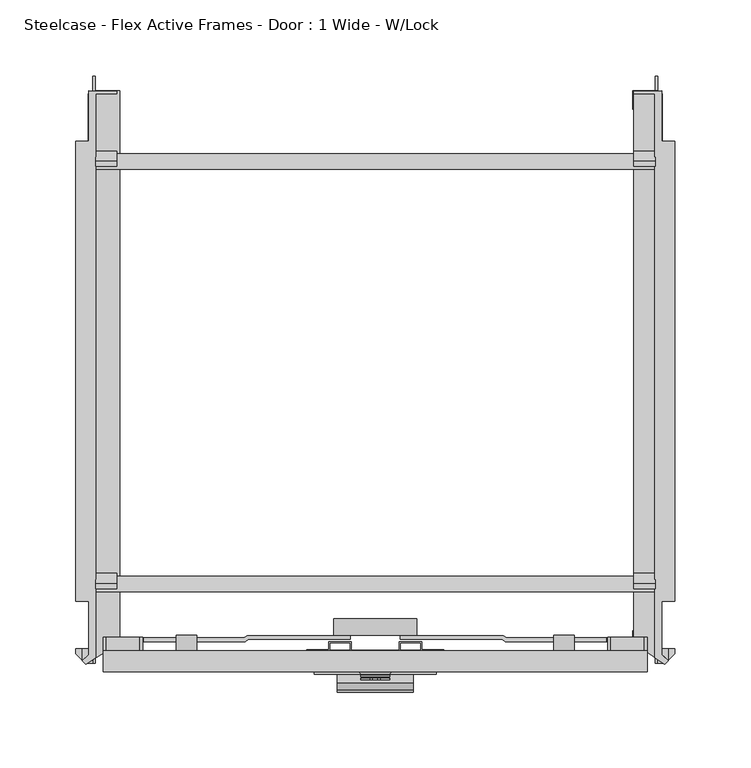
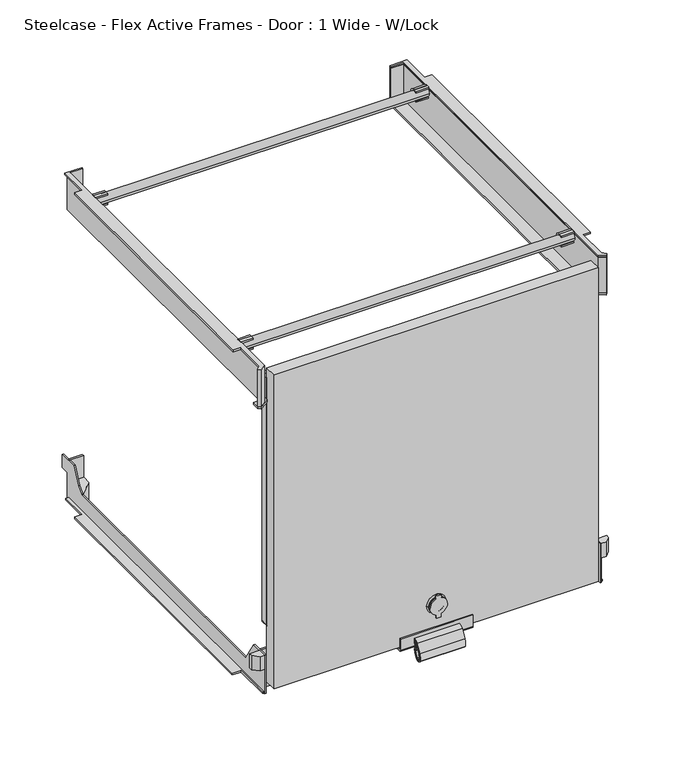
"""IFC4 building model written with IfcOpenShell, lengths in millimetres: furniture geometry, Steelcase - Flex Active Frames - Door : 1 Wide - W/Lock."""

from ifc_helpers import new_model, si_unit, point, frame, frame_2d, origin, place, context, project, spatial, polyline, circle_curve, trimmed, segment, composite_curve, outline, extrude, faceted_brep, source, transform, mapped, element, save
from ifc_brep_helpers import plane_surface, cylinder_surface, revolved_surface, advanced_brep


def steelcase_flex_active_frames_door_1_wide_w_lock_6204243f(model_context):
    return source(origin(), model_context, "Body", "SolidModel", [
        extrude(outline(polyline([(380.9560531, -373.0157005), (380.9560531, -1.9704708), (366.9540977, -1.9704708), (366.9540977, -0.2946526), (382.9443522, -0.0162739), (382.9443522, -368.4618531), (389.7311957, -375.2153725), (387.4080727, -377.5448751), (380.9560531, -373.0157005)])), frame((0.0, 0.0, 345.9048069), z_axis=(0.0, 0.0, 1.0), x_axis=(1.0, 0.0, 0.0)), (0.0, 0.0, 1.0), 41.5000832),
        advanced_brep(
        [(206.5367363, -386.5060322, 53.4049524), (206.5367363, -387.4990083, 53.4049524), (199.2697899, -387.4990083, 44.1242374), (199.2697899, -386.5060322, 44.1242374), (187.4172637, -387.4990083, 53.4049524), (187.4172637, -386.5060322, 53.4049524), (194.6842101, -386.5060322, 44.1242374), (194.6842101, -387.4990083, 44.1242374), (199.9441567, -386.5060322, 62.492556), (199.9441567, -387.4990083, 62.492556), (194.0098433, -387.4990083, 62.492556), (194.0098433, -386.5060322, 62.492556), (188.5666791, -385.7012029, 53.4049524), (205.3873209, -385.7012029, 53.4049524), (187.4987752, -385.7012029, 53.4049524), (206.4552248, -385.7012029, 53.4049524), (187.4987752, -384.715218, 53.4049524), (206.4552248, -384.715218, 53.4049524), (189.3926708, -384.0258963, 53.4049524), (204.5613292, -384.0258963, 53.4049524), (187.9183649, -384.0258963, 53.4049524), (206.0356351, -384.0258963, 53.4049524), (186.4186061, -382.5261375, 53.4049524), (207.5353939, -382.5261375, 53.4049524), (196.977, -382.5261375, 53.4049524), (200.157317, -387.4990083, 62.6110523), (200.157317, -387.4990083, 64.5755991), (198.633317, -387.4990083, 66.0995991), (195.320683, -387.4990083, 66.0995991), (193.796683, -387.4990083, 64.5755991), (193.796683, -387.4990083, 62.6110523), (194.610092, -387.4990083, 43.8269662), (194.610092, -387.4990083, 40.0258754), (199.343908, -387.4990083, 40.0258754), (199.343908, -387.4990083, 43.8269662), (193.796683, -386.5060322, 62.6110523), (193.796683, -386.5060322, 64.5755991), (195.320683, -386.5060322, 66.0995991), (198.633317, -386.5060322, 66.0995991), (200.157317, -386.5060322, 64.5755991), (200.157317, -386.5060322, 62.6110523), (199.343908, -386.5060322, 43.8269662), (199.343908, -386.5060322, 40.0258754), (194.610092, -386.5060322, 40.0258754), (194.610092, -386.5060322, 43.8269662)],
        [
            (0, 1),
            (1, 2, circle_curve(frame((196.977, -387.4990083, 53.4049524), z_axis=(0.0, 1.0, 0.0), x_axis=(1.0, 0.0, 0.0)), 9.5597363)),
            (2, 3),
            (3, 0, circle_curve(frame((196.977, -386.5060322, 53.4049524), z_axis=(0.0, -1.0, 0.0), x_axis=(1.0, 0.0, 0.0)), 9.5597363)),
            (4, 5),
            (5, 6, circle_curve(frame((196.977, -386.5060322, 53.4049524), z_axis=(0.0, -1.0, 0.0), x_axis=(1.0, 0.0, 0.0)), 9.5597363)),
            (6, 7),
            (7, 4, circle_curve(frame((196.977, -387.4990083, 53.4049524), z_axis=(0.0, 1.0, 0.0), x_axis=(1.0, 0.0, 0.0)), 9.5597363)),
            (0, 8, circle_curve(frame((196.977, -386.5060322, 53.4049524), z_axis=(0.0, -1.0, 0.0), x_axis=(1.0, 0.0, 0.0)), 9.5597363)),
            (8, 9),
            (9, 1, circle_curve(frame((196.977, -387.4990083, 53.4049524), z_axis=(0.0, 1.0, 0.0), x_axis=(1.0, 0.0, 0.0)), 9.5597363)),
            (4, 10, circle_curve(frame((196.977, -387.4990083, 53.4049524), z_axis=(0.0, 1.0, 0.0), x_axis=(1.0, 0.0, 0.0)), 9.5597363)),
            (10, 11),
            (11, 5, circle_curve(frame((196.977, -386.5060322, 53.4049524), z_axis=(0.0, -1.0, 0.0), x_axis=(1.0, 0.0, 0.0)), 9.5597363)),
            (12, 13, circle_curve(frame((196.977, -385.7012029, 53.4049524), z_axis=(0.0, -1.0, 0.0), x_axis=(1.0, 0.0, 0.0)), 8.4103209)),
            (13, 0),
            (3, 6, circle_curve(frame((196.977, -386.5060322, 53.4049524), z_axis=(0.0, 1.0, 0.0), x_axis=(1.0, 0.0, 0.0)), 9.5597363)),
            (5, 12),
            (13, 12, circle_curve(frame((196.977, -385.7012029, 53.4049524), z_axis=(0.0, -1.0, 0.0), x_axis=(1.0, 0.0, 0.0)), 8.4103209)),
            (11, 8, circle_curve(frame((196.977, -386.5060322, 53.4049524), z_axis=(0.0, 1.0, 0.0), x_axis=(1.0, 0.0, 0.0)), 9.5597363)),
            (12, 14),
            (14, 15, circle_curve(frame((196.977, -385.7012029, 53.4049524), z_axis=(0.0, -1.0, 0.0), x_axis=(1.0, 0.0, 0.0)), 9.4782248)),
            (15, 13),
            (15, 14, circle_curve(frame((196.977, -385.7012029, 53.4049524), z_axis=(0.0, -1.0, 0.0), x_axis=(1.0, 0.0, 0.0)), 9.4782248)),
            (14, 16),
            (16, 17, circle_curve(frame((196.977, -384.715218, 53.4049524), z_axis=(0.0, -1.0, 0.0), x_axis=(1.0, 0.0, 0.0)), 9.4782248)),
            (17, 15),
            (17, 16, circle_curve(frame((196.977, -384.715218, 53.4049524), z_axis=(0.0, -1.0, 0.0), x_axis=(1.0, 0.0, 0.0)), 9.4782248)),
            (16, 18),
            (18, 19, circle_curve(frame((196.977, -384.0258963, 53.4049524), z_axis=(0.0, -1.0, 0.0), x_axis=(1.0, 0.0, 0.0)), 7.5843292)),
            (19, 17),
            (19, 18, circle_curve(frame((196.977, -384.0258963, 53.4049524), z_axis=(0.0, -1.0, 0.0), x_axis=(1.0, 0.0, 0.0)), 7.5843292)),
            (18, 20),
            (20, 21, circle_curve(frame((196.977, -384.0258963, 53.4049524), z_axis=(0.0, -1.0, 0.0), x_axis=(1.0, 0.0, 0.0)), 9.0586351)),
            (21, 19),
            (21, 20, circle_curve(frame((196.977, -384.0258963, 53.4049524), z_axis=(0.0, -1.0, 0.0), x_axis=(1.0, 0.0, 0.0)), 9.0586351)),
            (20, 22),
            (22, 23, circle_curve(frame((196.977, -382.5261375, 53.4049524), z_axis=(0.0, -1.0, 0.0), x_axis=(1.0, 0.0, 0.0)), 10.5583939)),
            (23, 21),
            (23, 22, circle_curve(frame((196.977, -382.5261375, 53.4049524), z_axis=(0.0, -1.0, 0.0), x_axis=(1.0, 0.0, 0.0)), 10.5583939)),
            (22, 24),
            (24, 23),
            (25, 26),
            (26, 27, circle_curve(frame((198.633317, -387.4990083, 64.5755991), z_axis=(0.0, -1.0, 0.0), x_axis=(1.0, 0.0, 0.0)), 1.524)),
            (27, 28),
            (28, 29, circle_curve(frame((195.320683, -387.4990083, 64.5755991), z_axis=(0.0, -1.0, 0.0), x_axis=(1.0, 0.0, 0.0)), 1.524)),
            (29, 30),
            (30, 10),
            (7, 31),
            (31, 32),
            (32, 33),
            (33, 34),
            (34, 2),
            (9, 25),
            (35, 36),
            (36, 37, circle_curve(frame((195.320683, -386.5060322, 64.5755991), z_axis=(0.0, 1.0, 0.0), x_axis=(1.0, 0.0, 0.0)), 1.524)),
            (37, 38),
            (38, 39, circle_curve(frame((198.633317, -386.5060322, 64.5755991), z_axis=(0.0, 1.0, 0.0), x_axis=(1.0, 0.0, 0.0)), 1.524)),
            (39, 40),
            (40, 8),
            (11, 35),
            (41, 42),
            (42, 43),
            (43, 44),
            (44, 6),
            (3, 41),
            (30, 35),
            (44, 31),
            (43, 32),
            (42, 33),
            (41, 34),
            (40, 25),
            (39, 26),
            (38, 27),
            (37, 28),
            (36, 29),
        ],
        [
            cylinder_surface(frame((196.977, -363.4761375, 53.4049524), z_axis=(0.0, 1.0, 0.0), x_axis=(1.0, 0.0, 0.0)), 9.5597363),
            revolved_surface(polyline([(206.5367363, -386.5060322, 53.4049524), (205.3873209, -385.7012029, 53.4049524)]), (196.977, -363.4761375, 53.4049524), (0.0, 1.0, 0.0)),
            plane_surface(frame((196.977, -385.7012029, 53.4049524), z_axis=(0.0, -1.0, 0.0), x_axis=(1.0, 0.0, 0.0))),
            cylinder_surface(frame((196.977, -363.4761375, 53.4049524), z_axis=(0.0, 1.0, 0.0), x_axis=(1.0, 0.0, 0.0)), 9.4782248),
            revolved_surface(polyline([(206.4552248, -384.715218, 53.4049524), (204.5613292, -384.0258963, 53.4049524)]), (196.977, -363.4761375, 53.4049524), (0.0, 1.0, 0.0)),
            plane_surface(frame((196.977, -384.0258963, 53.4049524), z_axis=(0.0, -1.0, 0.0), x_axis=(1.0, 0.0, 0.0))),
            revolved_surface(polyline([(206.0356351, -384.0258963, 53.4049524), (207.5353939, -382.5261375, 53.4049524)]), (196.977, -363.4761375, 53.4049524), (0.0, 1.0, 0.0)),
            plane_surface(frame((196.977, -382.5261375, 53.4049524), z_axis=(0.0, 1.0, 0.0), x_axis=(1.0, 0.0, 0.0))),
            plane_surface(frame((196.977, -387.4990083, 53.4049524), z_axis=(0.0, -1.0, 0.0), x_axis=(1.0, 0.0, 0.0))),
            plane_surface(frame((193.796683, -386.5060322, 62.6110523), z_axis=(0.0, 1.0, 0.0), x_axis=(-0.8740285702770072, 0.0, 0.4858745294204366))),
            plane_surface(frame((193.796683, -387.4990083, 62.6110523), z_axis=(-0.4858745294204366, 0.0, -0.8740285702770072), x_axis=(0.0, 1.0, 0.0))),
            plane_surface(frame((195.3695158, -387.4990083, 46.8728484), z_axis=(-0.9702957262759957, 0.0, 0.24192189559967098), x_axis=(0.0, 1.0, 0.0))),
            plane_surface(frame((194.610092, -387.4990083, 43.8269662), z_axis=(-1.0, 0.0, 0.0), x_axis=(0.0, 1.0, 0.0))),
            plane_surface(frame((194.610092, -387.4990083, 40.0258754), z_axis=(0.0, 0.0, -1.0), x_axis=(0.0, 1.0, 0.0))),
            plane_surface(frame((199.343908, -387.4990083, 40.0258754), z_axis=(1.0, 0.0, 0.0), x_axis=(0.0, 1.0, 0.0))),
            plane_surface(frame((199.343908, -387.4990083, 43.8269662), z_axis=(0.9702957262759965, 0.0, 0.24192189559966779), x_axis=(0.0, 1.0, 0.0))),
            plane_surface(frame((199.3318277, -387.4990083, 62.1521609), z_axis=(0.4858745294204518, 0.0, -0.8740285702769988), x_axis=(0.0, 1.0, 0.0))),
            plane_surface(frame((200.157317, -387.4990083, 62.6110523), z_axis=(1.0, 0.0, 0.0), x_axis=(0.0, 1.0, 0.0))),
            cylinder_surface(frame((198.633317, -386.5060322, 64.5755991), z_axis=(0.0, -1.0, 0.0), x_axis=(1.0, 0.0, 0.0)), 1.524),
            plane_surface(frame((198.633317, -387.4990083, 66.0995991), z_axis=(0.0, 0.0, 1.0), x_axis=(0.0, 1.0, 0.0))),
            cylinder_surface(frame((195.320683, -386.5060322, 64.5755991), z_axis=(0.0, -1.0, 0.0), x_axis=(1.0, 0.0, 0.0)), 1.524),
            plane_surface(frame((193.796683, -387.4990083, 64.5755991), z_axis=(-1.0, 0.0, 0.0), x_axis=(0.0, 1.0, 0.0))),
        ],
        [
            (0, [[1, 2, 3, 4]]),
            (0, [[5, 6, 7, 8]]),
            (0, [[-1, 9, 10, 11]]),
            (0, [[-5, 12, 13, 14]]),
            (1, [[15, 16, -4, 17, -6, 18]]),
            (1, [[-16, 19, -18, -14, 20, -9]]),
            (2, [[-15, 21, 22, 23]]),
            (2, [[-19, -23, 24, -21]]),
            (3, [[-22, 25, 26, 27]]),
            (3, [[-24, -27, 28, -25]]),
            (4, [[-26, 29, 30, 31]]),
            (4, [[-28, -31, 32, -29]]),
            (5, [[-30, 33, 34, 35]]),
            (5, [[-32, -35, 36, -33]]),
            (6, [[-34, 37, 38, 39]]),
            (6, [[-36, -39, 40, -37]]),
            (7, [[-38, 41, 42]]),
            (7, [[-40, -42, -41]]),
            (8, [[43, 44, 45, 46, 47, 48, -12, -8, 49, 50, 51, 52, 53, -2, -11, 54]]),
            (9, [[55, 56, 57, 58, 59, 60, -20, 61]]),
            (9, [[62, 63, 64, 65, -17, 66]]),
            (10, [[67, -61, -13, -48]]),
            (11, [[68, -49, -7, -65]]),
            (12, [[-50, -68, -64, 69]]),
            (13, [[-51, -69, -63, 70]]),
            (14, [[-52, -70, -62, 71]]),
            (15, [[-71, -66, -3, -53]]),
            (16, [[72, -54, -10, -60]]),
            (17, [[-43, -72, -59, 73]]),
            (18, [[-44, -73, -58, 74]]),
            (19, [[-45, -74, -57, 75]]),
            (20, [[-46, -75, -56, 76]]),
            (21, [[-47, -76, -55, -67]]),
        ],
    ),
        extrude(outline(composite_curve([segment(polyline([(-394.5053212, 10.4032894), (-389.4788354, 19.5558073)]), True, "CONTINUOUS"), segment(trimmed(circle_curve(frame_2d((-384.936598, 17.0612488)), 5.1821562), [point((-389.4788354, 19.5558073))], [point((-384.0258963, 22.1627549))], False, "CARTESIAN"), True, "CONTINUOUS"), segment(polyline([(-384.0258963, 22.1627549), (-384.0258963, 21.3436146)]), True, "CONTINUOUS"), segment(trimmed(circle_curve(frame_2d((-385.1798575, 16.9863859)), 4.507446), [point((-384.0258963, 21.3436146))], [point((-389.1307013, 19.156156))], True, "CARTESIAN"), True, "CONTINUOUS"), segment(polyline([(-389.1307013, 19.156156), (-394.0692316, 10.1637927)]), True, "CONTINUOUS"), segment(trimmed(circle_curve(frame_2d((-386.2818738, 5.8870413)), 8.8844552), [point((-394.0692316, 10.1637927))], [point((-394.5968885, 2.7574926))], True, "CARTESIAN"), True, "CONTINUOUS"), segment(trimmed(circle_curve(frame_2d((-391.3251773, 3.988877)), 3.4957691), [point((-394.5968885, 2.7574926))], [point((-388.7326498, 1.643839))], True, "CARTESIAN"), True, "CONTINUOUS"), segment(trimmed(circle_curve(frame_2d((-399.4761611, 11.3617468)), 14.486572), [point((-388.7326498, 1.643839))], [point((-385.1577798, 9.1606733))], True, "CARTESIAN"), True, "CONTINUOUS"), segment(trimmed(circle_curve(frame_2d((-387.6682901, 9.546598)), 2.54), [point((-385.1577798, 9.1606733))], [point((-385.3170952, 10.507578))], True, "CARTESIAN"), True, "CONTINUOUS"), segment(trimmed(circle_curve(frame_2d((-376.2025969, 14.2328539)), 9.8464085), [point((-385.3170952, 10.507578))], [point((-385.7925384, 16.4655163))], False, "CARTESIAN"), True, "CONTINUOUS"), segment(trimmed(circle_curve(frame_2d((-384.508257, 16.166519)), 1.3186274), [point((-385.7925384, 16.4655163))], [point((-384.0258963, 17.3937542))], False, "CARTESIAN"), True, "CONTINUOUS"), segment(polyline([(-384.0258963, 17.3937542), (-384.0258963, 16.6121672)]), True, "CONTINUOUS"), segment(trimmed(circle_curve(frame_2d((-384.6064956, 16.1935716)), 0.7157638), [point((-384.0258963, 16.6121672))], [point((-385.3045283, 16.3519012))], True, "CARTESIAN"), True, "CONTINUOUS"), segment(trimmed(circle_curve(frame_2d((-375.8143378, 14.1993116)), 9.7312567), [point((-385.3045283, 16.3519012))], [point((-384.8047536, 10.4750963))], True, "CARTESIAN"), True, "CONTINUOUS"), segment(trimmed(circle_curve(frame_2d((-387.1513834, 9.5030217)), 2.54), [point((-384.8047536, 10.4750963))], [point((-384.6300651, 9.1955248))], False, "CARTESIAN"), True, "CONTINUOUS"), segment(trimmed(circle_curve(frame_2d((-398.2733257, 10.8594403)), 13.7443506), [point((-384.6300651, 9.1955248))], [point((-388.5654138, 1.1299171))], False, "CARTESIAN"), True, "CONTINUOUS"), segment(trimmed(circle_curve(frame_2d((-391.3447502, 3.9154407)), 3.9349526), [point((-388.5654138, 1.1299171))], [point((-395.003667, 2.4676217))], False, "CARTESIAN"), True, "CONTINUOUS"), segment(trimmed(circle_curve(frame_2d((-386.315486, 5.9055009)), 9.3436343), [point((-395.003667, 2.4676217))], [point((-394.5053212, 10.4032894))], False, "CARTESIAN"), True, "CONTINUOUS")], self_intersect=False)), frame((171.9929145, 0.0, 0.0), z_axis=(1.0, 0.0, 0.0), x_axis=(0.0, 1.0, 0.0)), (0.0, 0.0, 1.0), 49.9681709),
        extrude(outline(composite_curve([segment(polyline([(-393.2348137, 9.6697586), (-388.5001978, 18.5229973)]), True, "CONTINUOUS"), segment(trimmed(circle_curve(frame_2d((-384.6800166, 16.4800059)), 4.3321586), [point((-388.5001978, 18.5229973))], [point((-384.0258963, 20.7624963))], False, "CARTESIAN"), True, "CONTINUOUS"), segment(polyline([(-384.0258963, 20.7624963), (-384.0258963, 19.9610297)]), True, "CONTINUOUS"), segment(trimmed(circle_curve(frame_2d((-384.9916473, 16.585016)), 3.5114303), [point((-384.0258963, 19.9610297))], [point((-388.0880944, 18.2409623))], True, "CARTESIAN"), True, "CONTINUOUS"), segment(polyline([(-388.0880944, 18.2409623), (-392.7970743, 9.4356603)]), True, "CONTINUOUS"), segment(trimmed(circle_curve(frame_2d((-385.9017131, 5.748096)), 7.8194716), [point((-392.7970743, 9.4356603))], [point((-393.4843715, 3.8382718))], True, "CARTESIAN"), True, "CONTINUOUS"), segment(trimmed(circle_curve(frame_2d((-391.2381454, 4.4040229)), 2.3163777), [point((-393.4843715, 3.8382718))], [point((-389.4681109, 2.9098396))], True, "CARTESIAN"), True, "CONTINUOUS"), segment(trimmed(circle_curve(frame_2d((-399.1697978, 11.0995661)), 12.6962336), [point((-389.4681109, 2.9098396))], [point((-386.6211818, 9.1691299))], True, "CARTESIAN"), True, "CONTINUOUS"), segment(trimmed(circle_curve(frame_2d((-389.1316495, 9.5553317)), 2.54), [point((-386.6211818, 9.1691299))], [point((-386.7724973, 10.4966077))], True, "CARTESIAN"), True, "CONTINUOUS"), segment(trimmed(circle_curve(frame_2d((-377.3543286, 14.2543545)), 10.140146), [point((-386.7724973, 10.4966077))], [point((-387.1782369, 16.7669998))], False, "CARTESIAN"), True, "CONTINUOUS"), segment(trimmed(circle_curve(frame_2d((-384.5224201, 16.0877258)), 2.7413092), [point((-387.1782369, 16.7669998))], [point((-384.0258963, 18.7836932))], False, "CARTESIAN"), True, "CONTINUOUS"), segment(polyline([(-384.0258963, 18.7836932), (-384.0258963, 17.9896732)]), True, "CONTINUOUS"), segment(trimmed(circle_curve(frame_2d((-384.7842725, 16.1801113)), 1.9620521), [point((-384.0258963, 17.9896732))], [point((-386.6910856, 16.6424019))], True, "CARTESIAN"), True, "CONTINUOUS"), segment(trimmed(circle_curve(frame_2d((-376.7668809, 14.2363631)), 10.2117022), [point((-386.6910856, 16.6424019))], [point((-386.2669949, 10.4911401))], True, "CARTESIAN"), True, "CONTINUOUS"), segment(trimmed(circle_curve(frame_2d((-388.6299985, 9.5595749)), 2.54), [point((-386.2669949, 10.4911401))], [point((-386.1182341, 9.1818983))], False, "CARTESIAN"), True, "CONTINUOUS"), segment(trimmed(circle_curve(frame_2d((-399.1577456, 11.1425591)), 13.186093), [point((-386.1182341, 9.1818983))], [point((-389.2466987, 2.4451917))], False, "CARTESIAN"), True, "CONTINUOUS"), segment(trimmed(circle_curve(frame_2d((-391.2779315, 4.2276853)), 2.7024415), [point((-389.2466987, 2.4451917))], [point((-393.8696232, 3.4619671))], False, "CARTESIAN"), True, "CONTINUOUS"), segment(trimmed(circle_curve(frame_2d((-385.9836158, 5.7918967)), 8.2229973), [point((-393.8696232, 3.4619671))], [point((-393.2348137, 9.6697586))], False, "CARTESIAN"), True, "CONTINUOUS")], self_intersect=False)), frame((171.9929145, 0.0, 0.0), z_axis=(1.0, 0.0, 0.0), x_axis=(0.0, 1.0, 0.0)), (0.0, 0.0, 1.0), 49.9681709),
        extrude(outline(composite_curve([segment(polyline([(-368.0264793, 11.7171627), (-381.9938963, 11.7171627)]), True, "CONTINUOUS"), segment(trimmed(circle_curve(frame_2d((-381.9938963, 13.7491627)), 2.032), [point((-381.9938963, 11.7171627))], [point((-384.0258963, 13.7491627))], False, "CARTESIAN"), True, "CONTINUOUS"), segment(polyline([(-384.0258963, 13.7491627), (-384.0258963, 26.6993151), (-382.5209343, 26.6993151), (-382.5209343, 14.3428212)]), True, "CONTINUOUS"), segment(trimmed(circle_curve(frame_2d((-381.2509343, 14.3428212)), 1.27), [point((-382.5209343, 14.3428212))], [point((-381.2509343, 13.0728212))], True, "CARTESIAN"), True, "CONTINUOUS"), segment(polyline([(-381.2509343, 13.0728212), (-368.0264793, 13.0728212), (-368.0264793, 11.7171627)]), True, "CONTINUOUS")], self_intersect=False)), frame((156.9715204, 0.0, 0.0), z_axis=(1.0, 0.0, 0.0), x_axis=(0.0, 1.0, 0.0)), (0.0, 0.0, 1.0), 80.0109592),
        extrude(outline(composite_curve([segment(trimmed(circle_curve(frame_2d((53.4049524, 196.9720342)), 27.432), [point((53.4049524, 169.5400342))], [point((53.4049524, 224.4040342))], False, "CARTESIAN"), True, "CONTINUOUS"), segment(trimmed(circle_curve(frame_2d((53.4049524, 196.9720342)), 27.432), [point((53.4049524, 224.4040342))], [point((53.4049524, 169.5400342))], False, "CARTESIAN"), True, "CONTINUOUS")], self_intersect=False)), frame((0.0, -358.2604492, 0.0), z_axis=(0.0, 1.0, 0.0), x_axis=(0.0, 0.0, 1.0)), (0.0, 0.0, 1.0), 10.8583257),
        extrude(outline(polyline([(79.5158829, -362.5062706), (79.5158829, -360.0062596), (110.5835844, -360.0062596), (112.6258532, -358.5062664), (180.576378, -358.5062664), (180.576378, -361.006247), (113.445268, -361.006247), (111.402958, -362.5062706), (79.5158829, -362.5062706)])), frame((0.0, 0.0, 47.091239), z_axis=(0.0, 0.0, 1.0), x_axis=(1.0, 0.0, 0.0)), (0.0, 0.0, 1.0), 12.5687958),
        extrude(outline(polyline([(314.4381171, -362.5062706), (282.551042, -362.5062706), (280.508732, -361.006247), (213.377622, -361.006247), (213.377622, -358.5062664), (281.3281468, -358.5062664), (283.3704156, -360.0062596), (314.4381171, -360.0062596), (314.4381171, -362.5062706)])), frame((0.0, 0.0, 47.091239), z_axis=(0.0, 0.0, 1.0), x_axis=(1.0, 0.0, 0.0)), (0.0, 0.0, 1.0), 12.5687958),
        extrude(outline(composite_curve([segment(polyline([(47.1600332, 66.002076), (59.659997, 66.002076), (59.659997, 44.5899139)]), True, "CONTINUOUS"), segment(trimmed(circle_curve(frame_2d((53.4100151, 44.5899139)), 6.2499819), [point((59.659997, 44.5899139))], [point((47.1600332, 44.5899139))], False, "CARTESIAN"), True, "CONTINUOUS"), segment(polyline([(47.1600332, 44.5899139), (47.1600332, 66.002076)]), True, "CONTINUOUS")], self_intersect=False)), frame((0.0, -362.5135073, 0.0), z_axis=(0.0, 1.0, 0.0), x_axis=(0.0, 0.0, 1.0)), (0.0, 0.0, 1.0), 2.5072627),
        extrude(outline(composite_curve([segment(polyline([(47.1600332, 327.951924), (47.1600332, 349.3640861)]), True, "CONTINUOUS"), segment(trimmed(circle_curve(frame_2d((53.4100151, 349.3640861)), 6.2499819), [point((47.1600332, 349.3640861))], [point((59.659997, 349.3640861))], False, "CARTESIAN"), True, "CONTINUOUS"), segment(polyline([(59.659997, 349.3640861), (59.659997, 327.951924), (47.1600332, 327.951924)]), True, "CONTINUOUS")], self_intersect=False)), frame((0.0, -362.5135073, 0.0), z_axis=(0.0, 1.0, 0.0), x_axis=(0.0, 0.0, 1.0)), (0.0, 0.0, 1.0), 2.5072627),
        extrude(outline(composite_curve([segment(trimmed(circle_curve(frame_2d((39.4663531, 72.7589794)), 6.7569035), [point((39.4663531, 66.002076))], [point((39.4663531, 79.5158829))], False, "CARTESIAN"), True, "CONTINUOUS"), segment(polyline([(39.4663531, 79.5158829), (67.2893278, 79.5158829)]), True, "CONTINUOUS"), segment(trimmed(circle_curve(frame_2d((67.2893278, 72.7589794)), 6.7569035), [point((67.2893278, 79.5158829))], [point((67.2893278, 66.002076))], False, "CARTESIAN"), True, "CONTINUOUS"), segment(polyline([(67.2893278, 66.002076), (39.4663531, 66.002076)]), True, "CONTINUOUS")], self_intersect=False)), frame((0.0, -368.5066341, 0.0), z_axis=(0.0, 1.0, 0.0), x_axis=(0.0, 0.0, 1.0)), (0.0, 0.0, 1.0), 10.2464282),
        extrude(outline(composite_curve([segment(polyline([(39.4663531, 327.951924), (67.2893278, 327.951924)]), True, "CONTINUOUS"), segment(trimmed(circle_curve(frame_2d((67.2893278, 321.1950206)), 6.7569035), [point((67.2893278, 327.951924))], [point((67.2893278, 314.4381171))], False, "CARTESIAN"), True, "CONTINUOUS"), segment(polyline([(67.2893278, 314.4381171), (39.4663531, 314.4381171)]), True, "CONTINUOUS"), segment(trimmed(circle_curve(frame_2d((39.4663531, 321.1950206)), 6.7569035), [point((39.4663531, 314.4381171))], [point((39.4663531, 327.951924))], False, "CARTESIAN"), True, "CONTINUOUS")], self_intersect=False)), frame((0.0, -368.5066341, 0.0), z_axis=(0.0, 1.0, 0.0), x_axis=(0.0, 0.0, 1.0)), (0.0, 0.0, 1.0), 10.2464282),
        extrude(outline(polyline([(181.3110715, -373.7584846), (212.6429285, -373.7584846), (212.6429285, -362.5135073), (227.6227299, -362.5135073), (227.6227299, -367.7130567), (242.067925, -367.7130567), (242.067925, -368.5002664), (226.8727271, -368.5002664), (226.8727271, -363.2635099), (213.3929311, -363.2635099), (213.3929311, -374.5084873), (180.5610689, -374.5084873), (180.5610689, -363.2635099), (167.0812729, -363.2635099), (167.0812729, -368.5002664), (151.886075, -368.5002664), (151.886075, -367.7130567), (166.3312701, -367.7130567), (166.3312701, -362.5135073), (181.3110715, -362.5135073), (181.3110715, -373.7584846)])), frame((0.0, 0.0, 31.2417849), z_axis=(0.0, 0.0, 1.0), x_axis=(1.0, 0.0, 0.0)), (0.0, 0.0, 1.0), 44.3884583),
        extrude(outline(composite_curve([segment(polyline([(-46.5254063, 387.4651093), (-49.8140863, 387.4651093), (-49.8140863, 389.3429016), (-46.0133736, 389.3429016)]), True, "CONTINUOUS"), segment(trimmed(circle_curve(frame_2d((-46.0133736, 382.9938948)), 6.3490068), [point((-46.0133736, 389.3429016))], [point((-46.0133736, 376.6448879))], False, "CARTESIAN"), True, "CONTINUOUS"), segment(polyline([(-46.0133736, 376.6448879), (-49.8140863, 376.6448879), (-49.8140863, 378.2206396), (-46.5254063, 378.2206396)]), True, "CONTINUOUS"), segment(trimmed(circle_curve(frame_2d((-46.5254063, 382.8428744)), 4.6222348), [point((-46.5254063, 378.2206396))], [point((-46.5254063, 387.4651093))], True, "CARTESIAN"), True, "CONTINUOUS")], self_intersect=False)), frame((366.9541461, 0.0, 0.0), z_axis=(1.0, 0.0, 0.0), x_axis=(0.0, 1.0, 0.0)), (0.0, 0.0, 1.0), 14.2519757),
        extrude(outline(composite_curve([segment(polyline([(-324.5158504, 387.4651093), (-327.8045305, 387.4651093), (-327.8045305, 389.3429016), (-324.0038177, 389.3429016)]), True, "CONTINUOUS"), segment(trimmed(circle_curve(frame_2d((-324.0038177, 382.9938948)), 6.3490068), [point((-324.0038177, 389.3429016))], [point((-324.0038177, 376.6448879))], False, "CARTESIAN"), True, "CONTINUOUS"), segment(polyline([(-324.0038177, 376.6448879), (-327.8045305, 376.6448879), (-327.8045305, 378.2206396), (-324.5158504, 378.2206396)]), True, "CONTINUOUS"), segment(trimmed(circle_curve(frame_2d((-324.5158504, 382.8428744)), 4.6222348), [point((-324.5158504, 378.2206396))], [point((-324.5158504, 387.4651093))], True, "CARTESIAN"), True, "CONTINUOUS")], self_intersect=False)), frame((366.9541461, 0.0, 0.0), z_axis=(1.0, 0.0, 0.0), x_axis=(0.0, 1.0, 0.0)), (0.0, 0.0, 1.0), 14.2519757),
        extrude(outline(composite_curve([segment(polyline([(-46.5254063, 387.4651093), (-49.8140863, 387.4651093), (-49.8140863, 389.3429016), (-46.0133736, 389.3429016)]), True, "CONTINUOUS"), segment(trimmed(circle_curve(frame_2d((-46.0133736, 382.9938948)), 6.3490068), [point((-46.0133736, 389.3429016))], [point((-46.0133736, 376.6448879))], False, "CARTESIAN"), True, "CONTINUOUS"), segment(polyline([(-46.0133736, 376.6448879), (-49.8140863, 376.6448879), (-49.8140863, 378.2206396), (-46.5254063, 378.2206396)]), True, "CONTINUOUS"), segment(trimmed(circle_curve(frame_2d((-46.5254063, 382.8428744)), 4.6222348), [point((-46.5254063, 378.2206396))], [point((-46.5254063, 387.4651093))], True, "CARTESIAN"), True, "CONTINUOUS")], self_intersect=False)), frame((12.9903408, 0.0, 0.0), z_axis=(1.0, 0.0, 0.0), x_axis=(0.0, 1.0, 0.0)), (0.0, 0.0, 1.0), 13.8328281),
        extrude(outline(composite_curve([segment(polyline([(-324.5158504, 387.4651093), (-327.8045305, 387.4651093), (-327.8045305, 389.3429016), (-324.0038177, 389.3429016)]), True, "CONTINUOUS"), segment(trimmed(circle_curve(frame_2d((-324.0038177, 382.9938948)), 6.3490068), [point((-324.0038177, 389.3429016))], [point((-324.0038177, 376.6448879))], False, "CARTESIAN"), True, "CONTINUOUS"), segment(polyline([(-324.0038177, 376.6448879), (-327.8045305, 376.6448879), (-327.8045305, 378.2206396), (-324.5158504, 378.2206396)]), True, "CONTINUOUS"), segment(trimmed(circle_curve(frame_2d((-324.5158504, 382.8428744)), 4.6222348), [point((-324.5158504, 378.2206396))], [point((-324.5158504, 387.4651093))], True, "CARTESIAN"), True, "CONTINUOUS")], self_intersect=False)), frame((12.9903408, 0.0, 0.0), z_axis=(1.0, 0.0, 0.0), x_axis=(0.0, 1.0, 0.0)), (0.0, 0.0, 1.0), 13.8328281),
        extrude(outline(composite_curve([segment(trimmed(circle_curve(frame_2d((-46.5730255, 382.9048744)), 5.0417269), [point((-51.6147524, 382.9048744))], [point((-41.5312986, 382.9048744))], False, "CARTESIAN"), True, "CONTINUOUS"), segment(trimmed(circle_curve(frame_2d((-46.5730255, 382.9048744)), 5.0417269), [point((-41.5312986, 382.9048744))], [point((-51.6147524, 382.9048744))], False, "CARTESIAN"), True, "CONTINUOUS")], self_intersect=False)), frame((12.9979469, 0.0, 0.0), z_axis=(1.0, 0.0, 0.0), x_axis=(0.0, 1.0, 0.0)), (0.0, 0.0, 1.0), 367.9581061),
        extrude(outline(composite_curve([segment(trimmed(circle_curve(frame_2d((-324.5634697, 382.9048744)), 5.0417269), [point((-329.6051966, 382.9048744))], [point((-319.5217428, 382.9048744))], False, "CARTESIAN"), True, "CONTINUOUS"), segment(trimmed(circle_curve(frame_2d((-324.5634697, 382.9048744)), 5.0417269), [point((-319.5217428, 382.9048744))], [point((-329.6051966, 382.9048744))], False, "CARTESIAN"), True, "CONTINUOUS")], self_intersect=False)), frame((12.9979469, 0.0, 0.0), z_axis=(1.0, 0.0, 0.0), x_axis=(0.0, 1.0, 0.0)), (0.0, 0.0, 1.0), 367.9581061),
        extrude(outline(polyline([(0.0078094, -367.26628), (11.0099869, -367.26628), (11.0099869, -376.6280043), (6.0092747, -376.6280043), (0.0078094, -370.59252), (0.0078094, -367.26628)])), frame((0.0, 0.0, 37.9007596), z_axis=(0.0, 0.0, 1.0), x_axis=(1.0, 0.0, 0.0)), (0.0, 0.0, 1.0), 16.5825934),
        extrude(outline(polyline([(393.954, -367.26628), (393.954, -370.5843343), (387.9447253, -376.6280043), (382.9440131, -376.6280043), (382.9440131, -367.26628), (393.954, -367.26628)])), frame((0.0, 0.0, 37.9007596), z_axis=(0.0, 0.0, 1.0), x_axis=(1.0, 0.0, 0.0)), (0.0, 0.0, 1.0), 16.5825934),
        extrude(outline(polyline([(-11.7529543, 54.5088965), (9.7338051, 54.4672422), (9.7254723, 39.5237745), (0.0, 39.504953), (0.0, 9.5006071), (-376.6280285, 9.5006071), (-376.6280285, 54.4842854), (-356.1653725, 54.4842854), (-340.412346, 29.4859909), (-27.1233444, 29.4859909), (-20.3413456, 36.2392366), (-11.7529543, 54.5088965)])), frame((381.3609702, 0.0, 0.0), z_axis=(1.0, 0.0, 0.0), x_axis=(0.0, 1.0, 0.0)), (0.0, 0.0, 1.0), 1.583382),
        extrude(outline(polyline([(0.0, -334.1044128), (0.0, -33.4312927), (8.0401585, -33.4312927), (8.0401585, -2.0431408), (11.0099869, -2.0431408), (11.0099869, -375.1613544), (9.5184597, -375.1613544), (9.5184597, -334.1044128), (0.0, -334.1044128)])), frame((0.0, 0.0, 9.5006313), z_axis=(0.0, 0.0, 1.0), x_axis=(1.0, 0.0, 0.0)), (0.0, 0.0, 1.0), 1.9796757),
        extrude(outline(polyline([(393.954, -334.1044128), (384.4355403, -334.1044128), (384.4355403, -375.1613544), (382.9440131, -375.1613544), (382.9440131, -2.0431408), (385.9138415, -2.0431408), (385.9138415, -33.4312927), (393.954, -33.4312927), (393.954, -334.1044128)])), frame((0.0, 0.0, 9.5006313), z_axis=(0.0, 0.0, 1.0), x_axis=(1.0, 0.0, 0.0)), (0.0, 0.0, 1.0), 1.9796757),
        extrude(outline(polyline([(12.5930298, -365.4925648), (27.5930347, -365.4925648), (27.5930347, -367.2662453), (12.5930298, -367.2662453), (12.5930298, -365.4925648)])), frame((0.0, 0.0, 9.5006313), z_axis=(0.0, 0.0, 1.0), x_axis=(1.0, 0.0, 0.0)), (0.0, 0.0, 1.0), 45.1789778),
        extrude(outline(polyline([(12.5930298, 0.0), (27.5930347, 0.0), (27.5930347, -2.0431408), (12.5930298, -2.0431408), (12.5930298, 0.0)])), frame((0.0, 0.0, 9.5006313), z_axis=(0.0, 0.0, 1.0), x_axis=(1.0, 0.0, 0.0)), (0.0, 0.0, 1.0), 45.1789778),
        extrude(outline(polyline([(381.3609702, -365.4925648), (381.3609702, -367.2662453), (366.3609653, -367.2662453), (366.3609653, -365.4925648), (381.3609702, -365.4925648)])), frame((0.0, 0.0, 9.5006313), z_axis=(0.0, 0.0, 1.0), x_axis=(1.0, 0.0, 0.0)), (0.0, 0.0, 1.0), 45.1789778),
        extrude(outline(polyline([(381.3609702, 0.0), (381.3609702, -2.0431408), (366.3609653, -2.0431408), (366.3609653, 0.0), (381.3609702, 0.0)])), frame((0.0, 0.0, 9.5006313), z_axis=(0.0, 0.0, 1.0), x_axis=(1.0, 0.0, 0.0)), (0.0, 0.0, 1.0), 45.1789778),
        extrude(outline(polyline([(12.5930298, -340.412349), (27.5930347, -355.3825593), (27.5930347, -365.4925648), (12.5930298, -365.4925648), (12.5930298, -340.412349)])), frame((0.0, 0.0, 9.5006313), z_axis=(0.0, 0.0, 1.0), x_axis=(1.0, 0.0, 0.0)), (0.0, 0.0, 1.0), 19.9853596),
        extrude(outline(polyline([(12.5930298, -2.0431408), (27.5930347, -2.0431408), (27.5930347, -12.1531342), (12.5930298, -27.1233444), (12.5930298, -2.0431408)])), frame((0.0, 0.0, 9.5006313), z_axis=(0.0, 0.0, 1.0), x_axis=(1.0, 0.0, 0.0)), (0.0, 0.0, 1.0), 19.9853596),
        extrude(outline(polyline([(381.3609702, -340.412349), (381.3609702, -365.4925648), (366.3609653, -365.4925648), (366.3609653, -355.3825593), (381.3609702, -340.412349)])), frame((0.0, 0.0, 9.5006313), z_axis=(0.0, 0.0, 1.0), x_axis=(1.0, 0.0, 0.0)), (0.0, 0.0, 1.0), 19.9853596),
        extrude(outline(polyline([(381.3609702, -2.0431408), (381.3609702, -27.1233444), (366.3609653, -12.1531342), (366.3609653, -2.0431408), (381.3609702, -2.0431408)])), frame((0.0, 0.0, 9.5006313), z_axis=(0.0, 0.0, 1.0), x_axis=(1.0, 0.0, 0.0)), (0.0, 0.0, 1.0), 19.9853596),
        extrude(outline(polyline([(-11.7529543, 54.5088965), (9.7338051, 54.4672422), (9.7254723, 39.5237745), (0.0, 39.504953), (0.0, 9.5006071), (-376.6280285, 9.5006071), (-376.6280285, 54.4842854), (-356.1653725, 54.4842854), (-340.412346, 29.4859909), (-27.1233444, 29.4859909), (-20.3413456, 36.2392366), (-11.7529543, 54.5088965)])), frame((11.0099869, 0.0, 0.0), z_axis=(1.0, 0.0, 0.0), x_axis=(0.0, 1.0, 0.0)), (0.0, 0.0, 1.0), 1.5830429),
        advanced_brep(
        [(387.4080882, -377.544886, 345.9048069), (389.7311473, -375.2152756, 345.9048069), (389.7311473, -367.1259438, 345.9048069), (382.9443522, -367.022171, 345.9048069), (382.9443522, -0.028196, 345.9048069), (366.9541461, -0.028196, 345.9048069), (366.9541461, -359.5146397, 345.9048069), (375.9430839, -359.5146397, 345.9048069), (375.9430839, -368.7578754, 345.9048069), (374.9324394, -368.7578754, 345.9048069), (366.9541461, -0.028196, 343.6670199), (382.9443522, -0.028196, 343.6670199), (382.9443522, -367.022171, 343.6670199), (389.7311473, -367.1259438, 343.6670199), (389.7311473, -375.2152756, 343.6670199), (387.4080882, -377.544886, 343.6670199), (374.9324394, -368.7578754, 343.6670199), (375.9430839, -368.7578754, 343.6670199), (375.9430839, -359.5146397, 343.6670199), (366.9541461, -359.5146397, 343.6670199), (349.9628867, -368.7578754, 82.475055), (351.9948867, -368.7578754, 80.443055), (373.9110839, -368.7578754, 80.443055), (375.9430839, -368.7578754, 82.475055), (375.9430839, -368.7578754, 370.3640436), (373.9110839, -368.7578754, 372.3960436), (351.9948867, -368.7578754, 372.3960436), (349.9628867, -368.7578754, 370.3640436), (349.9628867, -359.5146397, 82.475055), (349.9628867, -359.5146397, 370.3640436), (351.9948867, -359.5146397, 372.3960436), (373.9110839, -359.5146397, 372.3960436), (375.9430839, -359.5146397, 370.3640436), (375.9430839, -359.5146397, 82.475055), (373.9110839, -359.5146397, 80.443055), (351.9948867, -359.5146397, 80.443055)],
        [
            (0, 1),
            (1, 2),
            (2, 3),
            (3, 4),
            (4, 5),
            (5, 6),
            (6, 7),
            (7, 8),
            (8, 9),
            (9, 0),
            (10, 11),
            (11, 12),
            (12, 13),
            (13, 14),
            (14, 15),
            (15, 16),
            (16, 17),
            (17, 18),
            (18, 19),
            (19, 10),
            (15, 0),
            (9, 16),
            (14, 1),
            (13, 2),
            (12, 3),
            (11, 4),
            (10, 5),
            (19, 6),
            (20, 21, circle_curve(frame((351.9948867, -368.7578754, 82.475055), z_axis=(0.0, -1.0, 0.0), x_axis=(1.0, 0.0, 0.0)), 2.032)),
            (21, 22),
            (22, 23, circle_curve(frame((373.9110839, -368.7578754, 82.475055), z_axis=(0.0, -1.0, 0.0), x_axis=(1.0, 0.0, 0.0)), 2.032)),
            (23, 17),
            (8, 24),
            (24, 25, circle_curve(frame((373.9110839, -368.7578754, 370.3640436), z_axis=(0.0, -1.0, 0.0), x_axis=(1.0, 0.0, 0.0)), 2.032)),
            (25, 26),
            (26, 27, circle_curve(frame((351.9948867, -368.7578754, 370.3640436), z_axis=(0.0, -1.0, 0.0), x_axis=(1.0, 0.0, 0.0)), 2.032)),
            (27, 20),
            (28, 29),
            (29, 30, circle_curve(frame((351.9948867, -359.5146397, 370.3640436), z_axis=(0.0, 1.0, 0.0), x_axis=(1.0, 0.0, 0.0)), 2.032)),
            (30, 31),
            (31, 32, circle_curve(frame((373.9110839, -359.5146397, 370.3640436), z_axis=(0.0, 1.0, 0.0), x_axis=(1.0, 0.0, 0.0)), 2.032)),
            (32, 7),
            (18, 33),
            (33, 34, circle_curve(frame((373.9110839, -359.5146397, 82.475055), z_axis=(0.0, 1.0, 0.0), x_axis=(1.0, 0.0, 0.0)), 2.032)),
            (34, 35),
            (35, 28, circle_curve(frame((351.9948867, -359.5146397, 82.475055), z_axis=(0.0, 1.0, 0.0), x_axis=(1.0, 0.0, 0.0)), 2.032)),
            (20, 28),
            (35, 21),
            (34, 22),
            (33, 23),
            (32, 24),
            (31, 25),
            (30, 26),
            (29, 27),
        ],
        [
            plane_surface(frame((366.9541461, -363.1385005, 345.9048069), z_axis=(0.0, 0.0, 1.0), x_axis=(0.8175642238085362, -0.5758374249285519, 0.0))),
            plane_surface(frame((366.9541461, -363.1385005, 343.6670199), z_axis=(0.0, 0.0, -1.0), x_axis=(-0.8175642238085362, 0.5758374249285519, 0.0))),
            plane_surface(frame((366.9541461, -363.1385005, 345.9048069), z_axis=(-0.5758374249285519, -0.8175642238085362, 0.0), x_axis=(0.0, 0.0, -1.0))),
            plane_surface(frame((387.4080882, -377.544886, 345.9048069), z_axis=(0.7081017458211601, -0.7061104145705721, 0.0), x_axis=(0.0, 0.0, -1.0))),
            plane_surface(frame((389.7311473, -375.2152756, 345.9048069), z_axis=(1.0, 0.0, 0.0), x_axis=(0.0, 0.0, -1.0))),
            plane_surface(frame((389.7311473, -367.1259438, 345.9048069), z_axis=(0.01528860179577727, 0.9998831224973898, 0.0), x_axis=(0.0, 0.0, -1.0))),
            plane_surface(frame((382.9443522, -367.022171, 345.9048069), z_axis=(1.0, 0.0, 0.0), x_axis=(0.0, 0.0, -1.0))),
            plane_surface(frame((382.9443522, -0.028196, 345.9048069), z_axis=(0.0, 1.0, 0.0), x_axis=(0.0, 0.0, -1.0))),
            plane_surface(frame((366.9541461, -0.028196, 345.9048069), z_axis=(-1.0, 0.0, 0.0), x_axis=(0.0, 0.0, -1.0))),
            plane_surface(frame((43.9911133, -368.7578754, 370.3960445), z_axis=(0.0, -1.0, 0.0), x_axis=(0.0, 0.0, 1.0))),
            plane_surface(frame((43.9911133, -359.5146397, 370.3960445), z_axis=(0.0, 1.0, 0.0), x_axis=(0.0, 0.0, -1.0))),
            cylinder_surface(frame((351.9948867, 0.0, 82.475055), z_axis=(0.0, -1.0, 0.0), x_axis=(1.0, 0.0, 0.0)), 2.032),
            plane_surface(frame((351.9948867, -368.7578754, 80.443055), z_axis=(0.0, 0.0, -1.0), x_axis=(0.0, 1.0, 0.0))),
            cylinder_surface(frame((373.9110839, 0.0, 82.475055), z_axis=(0.0, -1.0, 0.0), x_axis=(1.0, 0.0, 0.0)), 2.032),
            plane_surface(frame((375.9430839, -368.7578754, 82.475055), z_axis=(1.0, 0.0, 0.0), x_axis=(0.0, 1.0, 0.0))),
            cylinder_surface(frame((373.9110839, 0.0, 370.3640436), z_axis=(0.0, -1.0, 0.0), x_axis=(1.0, 0.0, 0.0)), 2.032),
            plane_surface(frame((373.9110839, -368.7578754, 372.3960436), z_axis=(0.0, 0.0, 1.0), x_axis=(0.0, 1.0, 0.0))),
            cylinder_surface(frame((351.9948867, 0.0, 370.3640436), z_axis=(0.0, -1.0, 0.0), x_axis=(1.0, 0.0, 0.0)), 2.032),
            plane_surface(frame((349.9628867, -368.7578754, 370.3640436), z_axis=(-1.0, 0.0, 0.0), x_axis=(0.0, 1.0, 0.0))),
        ],
        [
            (0, [[1, 2, 3, 4, 5, 6, 7, 8, 9, 10]]),
            (1, [[11, 12, 13, 14, 15, 16, 17, 18, 19, 20]]),
            (2, [[21, -10, 22, -16]]),
            (3, [[-1, -21, -15, 23]]),
            (4, [[-2, -23, -14, 24]]),
            (5, [[-3, -24, -13, 25]]),
            (6, [[-4, -25, -12, 26]]),
            (7, [[-5, -26, -11, 27]]),
            (8, [[-27, -20, 28, -6]]),
            (9, [[29, 30, 31, 32, -17, -22, -9, 33, 34, 35, 36, 37]]),
            (10, [[38, 39, 40, 41, 42, -7, -28, -19, 43, 44, 45, 46]]),
            (11, [[-29, 47, -46, 48]]),
            (12, [[-30, -48, -45, 49]]),
            (13, [[-31, -49, -44, 50]]),
            (14, [[-50, -43, -18, -32]]),
            (14, [[51, -33, -8, -42]]),
            (15, [[-34, -51, -41, 52]]),
            (16, [[-35, -52, -40, 53]]),
            (17, [[-36, -53, -39, 54]]),
            (18, [[-37, -54, -38, -47]]),
        ],
    ),
        advanced_brep(
        [(28.7302041, -0.028196, 345.9048069), (12.7399979, -0.028196, 345.9048069), (12.7399979, -366.9957133, 345.9048069), (4.2228527, -367.1259438, 345.9048069), (4.2228527, -375.2152756, 345.9048069), (6.5459118, -377.544886, 345.9048069), (20.076968, -368.7578754, 345.9048069), (18.0109161, -368.7578754, 345.9048069), (18.0109161, -359.5146397, 345.9048069), (28.7302041, -359.5146397, 345.9048069), (6.5459118, -377.544886, 343.6670199), (4.2228527, -375.2152756, 343.6670199), (4.2228527, -367.1259438, 343.6670199), (12.7399979, -366.9957133, 343.6670199), (12.7399979, -0.028196, 343.6670199), (28.7302041, -0.028196, 343.6670199), (28.7302041, -359.5146397, 343.6670199), (18.0109161, -359.5146397, 343.6670199), (18.0109161, -368.7578754, 343.6670199), (20.076968, -368.7578754, 343.6670199), (43.9911133, -368.7578754, 82.475055), (43.9911133, -368.7578754, 370.3640436), (41.9591133, -368.7578754, 372.3960436), (20.0429161, -368.7578754, 372.3960436), (18.0109161, -368.7578754, 370.3640436), (18.0109161, -368.7578754, 82.475055), (20.0429161, -368.7578754, 80.443055), (41.9591133, -368.7578754, 80.443055), (43.9911133, -359.5146397, 82.475055), (41.9591133, -359.5146397, 80.443055), (20.0429161, -359.5146397, 80.443055), (18.0109161, -359.5146397, 82.475055), (18.0109161, -359.5146397, 370.3640436), (20.0429161, -359.5146397, 372.3960436), (41.9591133, -359.5146397, 372.3960436), (43.9911133, -359.5146397, 370.3640436)],
        [
            (0, 1),
            (1, 2),
            (2, 3),
            (3, 4),
            (4, 5),
            (5, 6),
            (6, 7),
            (7, 8),
            (8, 9),
            (9, 0),
            (10, 11),
            (11, 12),
            (12, 13),
            (13, 14),
            (14, 15),
            (15, 16),
            (16, 17),
            (17, 18),
            (18, 19),
            (19, 10),
            (15, 0),
            (9, 16),
            (14, 1),
            (13, 2),
            (12, 3),
            (11, 4),
            (10, 5),
            (19, 6),
            (20, 21),
            (21, 22, circle_curve(frame((41.9591133, -368.7578754, 370.3640436), z_axis=(0.0, -1.0, 0.0), x_axis=(1.0, 0.0, 0.0)), 2.032)),
            (22, 23),
            (23, 24, circle_curve(frame((20.0429161, -368.7578754, 370.3640436), z_axis=(0.0, -1.0, 0.0), x_axis=(1.0, 0.0, 0.0)), 2.032)),
            (24, 7),
            (18, 25),
            (25, 26, circle_curve(frame((20.0429161, -368.7578754, 82.475055), z_axis=(0.0, -1.0, 0.0), x_axis=(1.0, 0.0, 0.0)), 2.032)),
            (26, 27),
            (27, 20, circle_curve(frame((41.9591133, -368.7578754, 82.475055), z_axis=(0.0, -1.0, 0.0), x_axis=(1.0, 0.0, 0.0)), 2.032)),
            (28, 29, circle_curve(frame((41.9591133, -359.5146397, 82.475055), z_axis=(0.0, 1.0, 0.0), x_axis=(1.0, 0.0, 0.0)), 2.032)),
            (29, 30),
            (30, 31, circle_curve(frame((20.0429161, -359.5146397, 82.475055), z_axis=(0.0, 1.0, 0.0), x_axis=(1.0, 0.0, 0.0)), 2.032)),
            (31, 17),
            (8, 32),
            (32, 33, circle_curve(frame((20.0429161, -359.5146397, 370.3640436), z_axis=(0.0, 1.0, 0.0), x_axis=(1.0, 0.0, 0.0)), 2.032)),
            (33, 34),
            (34, 35, circle_curve(frame((41.9591133, -359.5146397, 370.3640436), z_axis=(0.0, 1.0, 0.0), x_axis=(1.0, 0.0, 0.0)), 2.032)),
            (35, 28),
            (20, 28),
            (35, 21),
            (34, 22),
            (33, 23),
            (32, 24),
            (31, 25),
            (30, 26),
            (29, 27),
        ],
        [
            plane_surface(frame((366.9541461, -363.1385005, 345.9048069), z_axis=(0.0, 0.0, 1.0), x_axis=(0.8175642238085362, -0.5758374249285519, 0.0))),
            plane_surface(frame((366.9541461, -363.1385005, 343.6670199), z_axis=(0.0, 0.0, -1.0), x_axis=(-0.8175642238085362, 0.5758374249285519, 0.0))),
            plane_surface(frame((28.7302041, -363.1385005, 345.9048069), z_axis=(1.0, 0.0, 0.0), x_axis=(0.0, 0.0, -1.0))),
            plane_surface(frame((28.7302041, -0.028196, 345.9048069), z_axis=(0.0, 1.0, 0.0), x_axis=(0.0, 0.0, -1.0))),
            plane_surface(frame((12.7399979, -0.028196, 345.9048069), z_axis=(-1.0, 0.0, 0.0), x_axis=(0.0, 0.0, -1.0))),
            plane_surface(frame((12.7399979, -366.9957133, 345.9048069), z_axis=(-0.01528860179594563, 0.9998831224973872, 0.0), x_axis=(0.0, 0.0, -1.0))),
            plane_surface(frame((4.2228527, -367.1259438, 345.9048069), z_axis=(-1.0, 0.0, 0.0), x_axis=(0.0, 0.0, -1.0))),
            plane_surface(frame((4.2228527, -375.2152756, 345.9048069), z_axis=(-0.7081017458211808, -0.7061104145705515, 0.0), x_axis=(0.0, 0.0, -1.0))),
            plane_surface(frame((6.5459118, -377.544886, 345.9048069), z_axis=(0.5446320574448129, -0.8386750991912363, 0.0), x_axis=(0.0, 0.0, -1.0))),
            plane_surface(frame((43.9911133, -368.7578754, 370.3960445), z_axis=(0.0, -1.0, 0.0), x_axis=(0.0, 0.0, 1.0))),
            plane_surface(frame((43.9911133, -359.5146397, 370.3960445), z_axis=(0.0, 1.0, 0.0), x_axis=(0.0, 0.0, -1.0))),
            plane_surface(frame((43.9911133, -368.7578754, 82.475055), z_axis=(1.0, 0.0, 0.0), x_axis=(0.0, 1.0, 0.0))),
            cylinder_surface(frame((41.9591133, -359.5146397, 370.3640436), z_axis=(0.0, -1.0, 0.0), x_axis=(1.0, 0.0, 0.0)), 2.032),
            plane_surface(frame((41.9591133, -368.7578754, 372.3960436), z_axis=(0.0, 0.0, 1.0), x_axis=(0.0, 1.0, 0.0))),
            cylinder_surface(frame((20.0429161, -359.5146397, 370.3640436), z_axis=(0.0, -1.0, 0.0), x_axis=(1.0, 0.0, 0.0)), 2.032),
            plane_surface(frame((18.0109161, -368.7578754, 370.3640436), z_axis=(-1.0, 0.0, 0.0), x_axis=(0.0, 1.0, 0.0))),
            cylinder_surface(frame((20.0429161, -359.5146397, 82.475055), z_axis=(0.0, -1.0, 0.0), x_axis=(1.0, 0.0, 0.0)), 2.032),
            plane_surface(frame((20.0429161, -368.7578754, 80.443055), z_axis=(0.0, 0.0, -1.0), x_axis=(0.0, 1.0, 0.0))),
            cylinder_surface(frame((41.9591133, -359.5146397, 82.475055), z_axis=(0.0, -1.0, 0.0), x_axis=(1.0, 0.0, 0.0)), 2.032),
        ],
        [
            (0, [[1, 2, 3, 4, 5, 6, 7, 8, 9, 10]]),
            (1, [[11, 12, 13, 14, 15, 16, 17, 18, 19, 20]]),
            (2, [[21, -10, 22, -16]]),
            (3, [[-1, -21, -15, 23]]),
            (4, [[-2, -23, -14, 24]]),
            (5, [[-3, -24, -13, 25]]),
            (6, [[-4, -25, -12, 26]]),
            (7, [[-5, -26, -11, 27]]),
            (8, [[-27, -20, 28, -6]]),
            (9, [[29, 30, 31, 32, 33, -7, -28, -19, 34, 35, 36, 37]]),
            (10, [[38, 39, 40, 41, -17, -22, -9, 42, 43, 44, 45, 46]]),
            (11, [[-29, 47, -46, 48]]),
            (12, [[-30, -48, -45, 49]]),
            (13, [[-31, -49, -44, 50]]),
            (14, [[-32, -50, -43, 51]]),
            (15, [[-51, -42, -8, -33]]),
            (15, [[52, -34, -18, -41]]),
            (16, [[-35, -52, -40, 53]]),
            (17, [[-36, -53, -39, 54]]),
            (18, [[-37, -54, -38, -47]]),
        ],
    ),
        faceted_brep([(12.9979469, -373.0157005, 345.9048069), (6.5459273, -377.5448751, 345.9048069), (4.2228043, -375.2153725, 345.9048069), (11.0096478, -368.4618531, 345.9048069), (11.0096478, -0.0162739, 345.9048069), (26.9999023, -0.2946526, 345.9048069), (26.9999023, -1.9704708, 345.9048069), (12.9979469, -1.9704708, 345.9048069), (12.9979469, -1.9704708, 389.4048164), (12.9979469, -373.0157005, 389.4048164), (26.9999023, -1.9704708, 389.4048164), (26.9999023, -0.2946526, 389.4048164), (11.0096478, -0.0162739, 387.4048901), (8.3076325, 0.0307663, 387.4048901), (8.3076325, 0.0307663, 389.4048164), (11.0096478, -368.4618531, 387.4048901), (4.2228043, -375.2153725, 389.4048164), (8.3076324, -371.1506012, 389.4048164), (8.3076324, -371.1506012, 387.4048901), (6.5459273, -377.5448751, 389.4048164), (8.3076324, -33.1192478, 389.4048164), (0.0, -33.1192478, 389.4048164), (0.0, -335.9034309, 389.4048164), (8.3076324, -335.9034309, 389.4048164), (8.3076324, -335.9034309, 387.4048901), (0.0, -335.9034309, 387.4048901), (0.0, -33.1192478, 387.4048901), (8.3076324, -33.1192478, 387.4048901)], [[[0, 1, 2, 3, 4, 5, 6, 7]], [[0, 7, 8, 9]], [[8, 7, 6, 10]], [[10, 6, 5, 11]], [[11, 5, 4, 12, 13, 14]], [[4, 3, 15, 12]], [[3, 2, 16, 17, 18, 15]], [[16, 2, 1, 19]], [[19, 1, 0, 9]], [[14, 20, 21, 22, 23, 17, 16, 19, 9, 8, 10, 11]], [[18, 24, 25, 26, 27, 13, 12, 15]], [[20, 14, 13, 27]], [[21, 20, 27, 26]], [[22, 21, 26, 25]], [[23, 22, 25, 24]], [[17, 23, 24, 18]]]),
        faceted_brep([(385.6463676, 0.030766, 389.4048164), (366.9540008, -0.2946526, 389.4048164), (366.9540008, -1.9704708, 389.4048164), (380.9560531, -1.9704708, 389.4048164), (380.9560531, -373.0157005, 389.4048164), (387.4080727, -377.5448751, 389.4048164), (389.7311957, -375.2153725, 389.4048164), (385.6463676, -371.1506012, 389.4048164), (385.6463676, -335.9034309, 389.4048164), (393.954, -335.9034309, 389.4048164), (393.954, -33.1192478, 389.4048164), (385.6463676, -33.1192478, 389.4048164), (385.6463676, 0.030766, 387.4048901), (385.6463676, -33.1192478, 387.4048901), (393.954, -33.1192478, 387.4048901), (393.954, -335.9034309, 387.4048901), (385.6463676, -335.9034309, 387.4048901), (385.6463676, -371.1506012, 387.4048901), (389.7311957, -375.2153725, 387.4048901), (387.4080727, -377.5448751, 387.4048901), (380.9560531, -373.0157005, 387.4048901), (380.9560531, -1.9704708, 387.4048901), (366.9540008, -1.9704708, 387.4048901), (366.9540008, -0.2946526, 387.4048901)], [[[0, 1, 2, 3, 4, 5, 6, 7, 8, 9, 10, 11]], [[12, 13, 14, 15, 16, 17, 18, 19, 20, 21, 22, 23]], [[1, 0, 12, 23]], [[2, 1, 23, 22]], [[3, 2, 22, 21]], [[4, 3, 21, 20]], [[5, 4, 20, 19]], [[6, 5, 19, 18]], [[7, 6, 18, 17]], [[8, 7, 17, 16]], [[9, 8, 16, 15]], [[10, 9, 15, 14]], [[11, 10, 14, 13]], [[0, 11, 13, 12]]]),
        extrude(outline(polyline([(375.9459422, -382.5261375), (17.9940325, -382.5261375), (17.9940325, -368.5124931), (375.9459422, -368.5124931), (375.9459422, -382.5261375)])), frame((0.0, 0.0, 16.3990959), z_axis=(0.0, 0.0, 1.0), x_axis=(1.0, 0.0, 0.0)), (0.0, 0.0, 1.0), 366.0060024),
    ])


if __name__ == "__main__":
    model = new_model("IFC4")
    model_context = context("Model", 3, world=origin())
    ifc_project = project(units=[si_unit("LENGTHUNIT", "METRE", prefix="MILLI")], contexts=[model_context])
    site = spatial("IfcSite", under=ifc_project)
    building = spatial("IfcBuilding", under=site)
    placement = place(None, origin())
    steelcase_flex_active_frames_door_1_wide_w_lock_shape = steelcase_flex_active_frames_door_1_wide_w_lock_6204243f(model_context)
    element("IfcFurniture", 1, ObjectType="Steelcase - Flex Active Frames - Door : 1 Wide - W/Lock", at=placement, inside=building, context=model_context, shape_type="MappedRepresentation", body=[
        mapped(steelcase_flex_active_frames_door_1_wide_w_lock_shape, transform((0.0, 0.0, 0.0), x_axis=(1.0, 0.0, 0.0), y_axis=(0.0, 1.0, 0.0), z_axis=(0.0, 0.0, 1.0))),
    ])
    save(model, "model.ifc")
